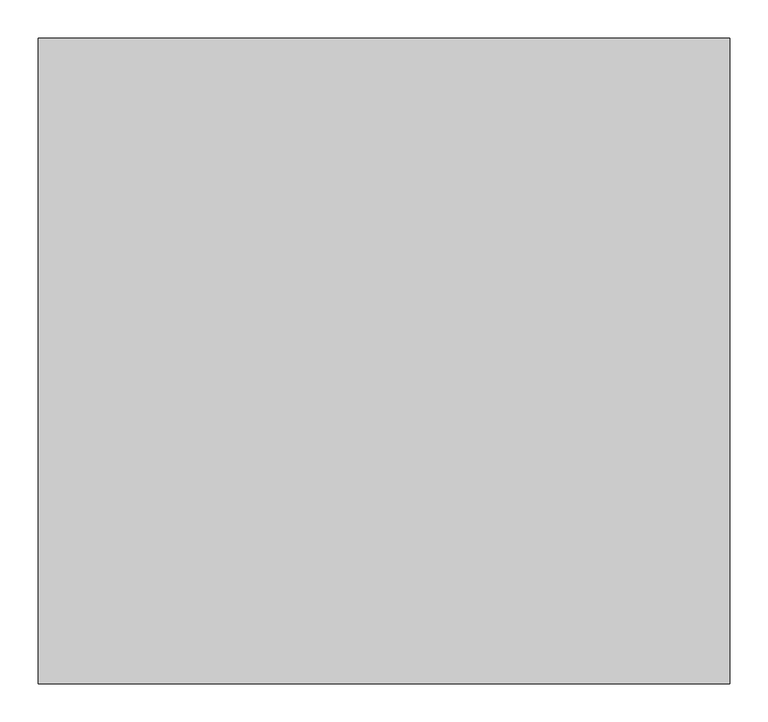
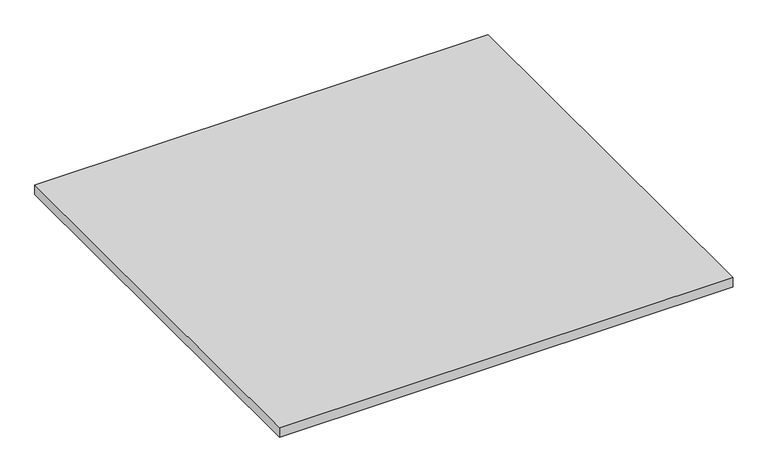
"""IFC4 building model written with IfcOpenShell, lengths in millimetres: furniture geometry."""

from ifc_helpers import new_model, si_unit, frame, origin, place, context, project, spatial, polyline, outline, extrude, source, transform, mapped, element, save


def furniture_0f1a19c3(model_context):
    return source(origin(), model_context, "Body", "SweptSolid", [
        extrude(outline(polyline([(0.0, 0.0), (910.0, 0.0), (910.0, -850.0), (0.0, -850.0), (0.0, 0.0)])), frame((0.0, 0.0, 730.0), z_axis=(0.0, 0.0, 1.0), x_axis=(1.0, 0.0, 0.0)), (0.0, 0.0, 1.0), 20.0),
    ])


if __name__ == "__main__":
    model = new_model("IFC4")
    model_context = context("Model", 3, world=origin())
    ifc_project = project(units=[si_unit("LENGTHUNIT", "METRE", prefix="MILLI")], contexts=[model_context])
    site = spatial("IfcSite", under=ifc_project)
    building = spatial("IfcBuilding", under=site)
    placement = place(None, origin())
    furniture_shape = furniture_0f1a19c3(model_context)
    element("IfcFurniture", 1, at=placement, inside=building, context=model_context, shape_type="MappedRepresentation", body=[
        mapped(furniture_shape, transform((0.0, 0.0, 0.0), x_axis=(1.0, 0.0, 0.0), y_axis=(0.0, 1.0, 0.0), z_axis=(0.0, 0.0, 1.0))),
    ])
    save(model, "model.ifc")
